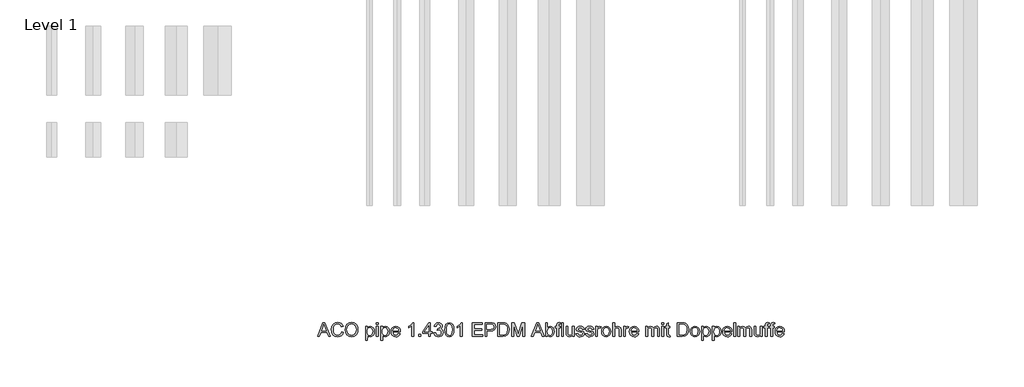
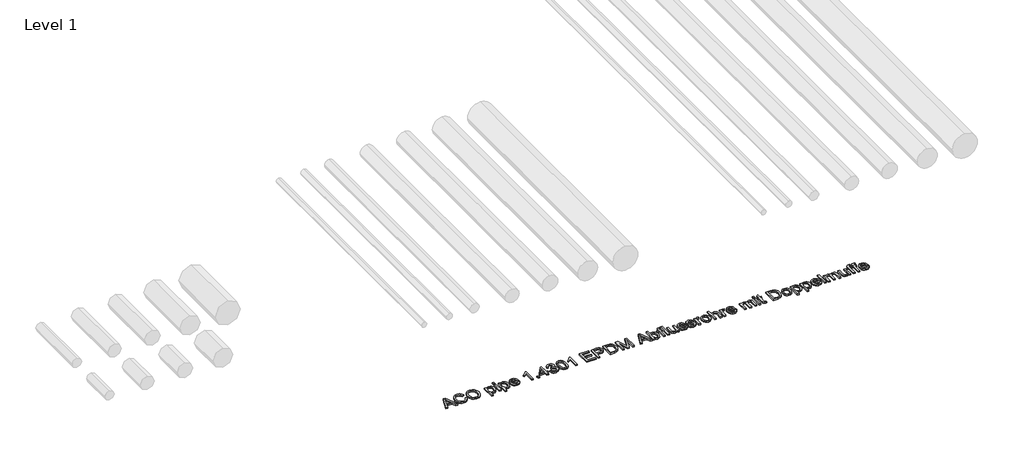
# One storey, part 12 of 13: 1 proxy.
"""IFC4 building model written with IfcOpenShell, lengths in millimetres."""

from ifc_helpers import new_model, si_unit, origin, origin_with_axes, place, context, project, spatial, polyline, outline, extrude, element, save

model = new_model("IFC4")

# Units and contexts
model_context = context("Model", 3, world=origin())
ifc_project = project(units=[si_unit("LENGTHUNIT", "METRE", prefix="MILLI")], contexts=[model_context])

# Site, building, storey
site = spatial("IfcSite", under=ifc_project)
building = spatial("IfcBuilding", under=site)
storey = spatial("IfcBuildingStorey", under=building, Name="Level 1", Elevation=0.0)

# Proxy
placement = place(None, origin())
element("IfcBuildingElementProxy", 1, Name="100mm ACO", ObjectType="100mm ACO", at=placement, inside=storey, context=model_context, shape_type="SweptSolid", body=[
    extrude(outline(polyline([(14738.8757357, -969.2114353), (14725.0736524, -969.2114353), (14713.0944857, -939.5818057), (14670.6465691, -939.5818057), (14659.1303654, -969.2114353), (14645.3572172, -969.2114353), (14684.2171709, -869.2114353), (14698.3954116, -869.2114353), (14738.8757357, -969.2114353)]), holes=[polyline([(14708.5805968, -928.4706946), (14694.156407, -891.8098149), (14691.1905505, -880.1489353), (14686.5319857, -898.7253242), (14674.9868468, -928.4706946), (14708.5805968, -928.4706946)])]), origin_with_axes(), (0.0, 0.0, 1.0), 10.0),
    extrude(outline(polyline([(14832.8572172, -937.3827316), (14826.9435887, -952.2083971), (14817.8253885, -962.7154862), (14806.0379174, -968.9763369), (14792.1164765, -971.0632872), (14771.2108052, -967.2076737), (14756.8734209, -955.6408335), (14748.5834904, -938.648646), (14745.8201802, -918.5169909), (14749.0645378, -897.1302721), (14758.7976107, -880.9446529), (14773.63051, -870.7558508), (14792.1743468, -867.3595835), (14805.4881489, -869.1716494), (14816.7258515, -874.6078473), (14825.3955563, -883.5379689), (14831.0053654, -895.8318057), (14818.0424024, -898.8410649), (14808.1899718, -883.5777548), (14791.6824487, -878.4706946), (14777.4608052, -881.1797513), (14767.1454116, -889.3069214), (14760.8737103, -901.9913832), (14758.7831431, -918.3723149), (14760.9966848, -936.7353068), (14767.6373098, -949.6946529), (14777.8369626, -957.3877953), (14790.7275876, -959.9521761), (14801.296164, -958.3354226), (14809.6801339, -953.4851622), (14815.8794973, -945.3869272), (14819.8942542, -934.0262501), (14832.8572172, -937.3827316)])), origin_with_axes(), (0.0, 0.0, 1.0), 10.0),
    extrude(outline(polyline([(14892.203282, -867.3595835), (14910.6928654, -870.9330788), (14925.478745, -881.6535649), (14935.1792658, -898.2261923), (14938.4127728, -919.3561112), (14935.1611813, -940.3956078), (14925.406407, -956.8705788), (14910.6024429, -967.5151101), (14892.203282, -971.0632872), (14873.3303075, -967.3849017), (14858.5516616, -956.3497455), (14849.0030505, -940.0194504), (14845.8201802, -920.4556483), (14849.0464533, -898.3744851), (14858.7252728, -881.5522918), (14873.5473214, -870.9077605), (14892.203282, -867.3595835)]), holes=[polyline([(14892.0875413, -959.9521761), (14905.5279348, -957.2684376), (14916.1616154, -949.2172223), (14923.098826, -936.3844677), (14925.4498098, -919.3561112), (14923.0952091, -901.9479804), (14916.031407, -889.0754399), (14905.4013434, -881.1218809), (14892.3479579, -878.4706946), (14879.0016038, -881.0676274), (14868.2449487, -888.8584261), (14861.1485945, -902.0167015), (14858.7831431, -920.7160649), (14861.0979579, -936.5978647), (14868.0424024, -949.1159492), (14878.6833167, -957.2431193), (14892.0875413, -959.9521761)])]), origin_with_axes(), (0.0, 0.0, 1.0), 10.0),
    extrude(outline(polyline([(15007.0614996, -905.6987038), (15015.5178075, -897.7776969), (15027.1859209, -895.1373612), (15039.5123098, -897.7270603), (15048.9451802, -905.4961575), (15054.9347635, -917.4246876), (15056.9312913, -932.4926853), (15054.6743468, -948.3817189), (15047.9035135, -960.6321529), (15037.8485366, -968.4555036), (15025.7391616, -971.0632872), (15015.3658978, -968.9365511), (15007.2785135, -962.5563427), (15006.9312913, -996.9892131), (14993.9683283, -996.9892131), (14993.9683283, -896.9892131), (15006.9312913, -896.9892131), (15007.0614996, -905.6987038)]), holes=[polyline([(15024.3213376, -961.8040279), (15032.0940517, -959.9774943), (15038.3983052, -954.4978936), (15042.5758225, -945.4013948), (15043.9683283, -932.7241668), (15042.6264591, -920.6473439), (15038.6008515, -911.7316899), (15032.4846767, -906.2303879), (15024.8711061, -904.3966205), (15016.989885, -906.4401679), (15010.6494626, -912.5708103), (15006.4719452, -921.956661), (15005.0794394, -933.7658335), (15006.4140748, -945.8788254), (15010.4179811, -954.6715048), (15016.563091, -960.0208971), (15024.3213376, -961.8040279)])]), origin_with_axes(), (0.0, 0.0, 1.0), 10.0),
    extrude(outline(polyline([(15084.7090691, -969.2114353), (15071.7461061, -969.2114353), (15071.7461061, -896.9892131), (15084.7090691, -896.9892131), (15084.7090691, -969.2114353)])), origin_with_axes(), (0.0, 0.0, 1.0), 10.0),
    extrude(outline(polyline([(15084.7090691, -882.1743983), (15071.7461061, -882.1743983), (15071.7461061, -869.2114353), (15084.7090691, -869.2114353), (15084.7090691, -882.1743983)])), origin_with_axes(), (0.0, 0.0, 1.0), 10.0),
    extrude(outline(polyline([(15116.3207589, -905.6987038), (15124.7770667, -897.7776969), (15136.4451802, -895.1373612), (15148.7715691, -897.7270603), (15158.2044394, -905.4961575), (15164.1940228, -917.4246876), (15166.1905505, -932.4926853), (15163.9336061, -948.3817189), (15157.1627728, -960.6321529), (15147.1077959, -968.4555036), (15134.9984209, -971.0632872), (15124.625157, -968.9365511), (15116.5377728, -962.5563427), (15116.1905505, -996.9892131), (15103.2275876, -996.9892131), (15103.2275876, -896.9892131), (15116.1905505, -896.9892131), (15116.3207589, -905.6987038)]), holes=[polyline([(15133.5805968, -961.8040279), (15141.353311, -959.9774943), (15147.6575644, -954.4978936), (15151.8350818, -945.4013948), (15153.2275876, -932.7241668), (15151.8857184, -920.6473439), (15147.8601107, -911.7316899), (15141.743936, -906.2303879), (15134.1303654, -904.3966205), (15126.2491443, -906.4401679), (15119.9087218, -912.5708103), (15115.7312045, -921.956661), (15114.3386987, -933.7658335), (15115.6733341, -945.8788254), (15119.6772404, -954.6715048), (15125.8223503, -960.0208971), (15133.5805968, -961.8040279)])]), origin_with_axes(), (0.0, 0.0, 1.0), 10.0),
    extrude(outline(polyline([(15243.9683283, -935.878102), (15190.2646246, -935.878102), (15192.3371073, -947.0036807), (15197.0499255, -955.1489353), (15203.8316096, -960.1402548), (15212.1106894, -961.8040279), (15223.7860366, -958.1147918), (15231.0053654, -946.9892131), (15243.9683283, -948.4938427), (15239.5918816, -958.1147918), (15232.6546709, -965.2183798), (15223.4098792, -969.6020603), (15212.1106894, -971.0632872), (15197.5237392, -968.5567767), (15186.5175181, -961.0372455), (15179.6056258, -949.1774365), (15177.3016616, -933.6500927), (15179.5224371, -918.1118983), (15186.1847635, -905.8144446), (15196.8835482, -897.8066321), (15211.2136987, -895.1373612), (15226.4336061, -898.5951159), (15238.8612681, -910.3717362), (15242.6915633, -920.9077605), (15243.9683283, -935.878102)]), holes=[polyline([(15231.0053654, -926.6188427), (15228.922032, -916.4625927), (15224.1766616, -909.6049538), (15210.8954116, -904.3966205), (15203.0395089, -905.9446529), (15196.7171709, -910.5887501), (15190.2646246, -926.6188427), (15231.0053654, -926.6188427)])]), origin_with_axes(), (0.0, 0.0, 1.0), 10.0),
    extrude(outline(polyline([(15342.1164765, -969.2114353), (15329.1535135, -969.2114353), (15329.1535135, -891.4336575), (15305.0794394, -906.2484723), (15305.0794394, -896.9892131), (15323.3520089, -885.2704631), (15334.7090691, -871.0632872), (15342.1164765, -871.0632872), (15342.1164765, -969.2114353)])), origin_with_axes(), (0.0, 0.0, 1.0), 10.0),
    extrude(outline(polyline([(15393.9683283, -969.2114353), (15379.1535135, -969.2114353), (15379.1535135, -954.3966205), (15393.9683283, -954.3966205), (15393.9683283, -969.2114353)])), origin_with_axes(), (0.0, 0.0, 1.0), 10.0),
    extrude(outline(polyline([(15475.4498098, -945.1373612), (15462.4868468, -945.1373612), (15462.4868468, -969.2114353), (15449.5238839, -969.2114353), (15449.5238839, -945.1373612), (15406.9312913, -945.1373612), (15406.9312913, -935.878102), (15451.8386987, -871.0632872), (15462.4868468, -871.0632872), (15462.4868468, -935.878102), (15475.4498098, -935.878102), (15475.4498098, -945.1373612)]), holes=[polyline([(15449.5238839, -935.878102), (15449.5238839, -889.9868983), (15417.7530505, -935.878102), (15449.5238839, -935.878102)])]), origin_with_axes(), (0.0, 0.0, 1.0), 10.0),
    extrude(outline(polyline([(15535.8954116, -915.6090048), (15544.2251281, -918.8461286), (15550.2327959, -924.6367825), (15555.0794394, -940.1605094), (15552.5548445, -952.4688138), (15544.9810598, -962.368264), (15533.8916501, -968.8895314), (15520.8201802, -971.0632872), (15508.540811, -969.1463311), (15498.6124255, -963.3954631), (15491.6860656, -954.4978936), (15488.4127728, -943.1408335), (15501.3757357, -941.4336575), (15508.2044394, -956.7259029), (15521.2542079, -961.8040279), (15529.3235077, -960.2776969), (15536.0545552, -955.6987038), (15540.6009961, -948.9061691), (15542.1164765, -940.7392131), (15540.6950355, -932.9809666), (15536.4307126, -926.6622455), (15529.8732762, -922.4630267), (15521.572495, -921.0632872), (15512.4868468, -922.915139), (15513.9336061, -911.8040279), (15521.8039765, -911.3121298), (15528.2854579, -908.9105094), (15534.2171709, -903.4417594), (15536.5609209, -894.6165279), (15531.7721478, -882.6952316), (15520.6755042, -878.4706946), (15508.9422866, -883.2739353), (15503.2275876, -896.9892131), (15490.2646246, -894.7612038), (15494.1021535, -883.5741379), (15500.8114996, -875.5916436), (15509.7560887, -870.8064874), (15520.2993468, -869.2114353), (15531.764914, -871.103073), (15541.1616154, -876.7779862), (15547.4333167, -885.1872744), (15549.5238839, -895.2820372), (15546.1167658, -907.3480094), (15535.8954116, -915.6090048)])), origin_with_axes(), (0.0, 0.0, 1.0), 10.0),
    extrude(outline(polyline([(15599.4949487, -869.2114353), (15614.0909412, -872.3979226), (15624.5166501, -881.9573844), (15630.7720754, -897.8898207), (15632.8572172, -920.1952316), (15630.7015459, -942.6670198), (15624.234532, -958.5198844), (15613.7382936, -967.9274365), (15599.4949487, -971.0632872), (15584.9242745, -967.8840337), (15574.5166501, -958.3462733), (15568.2720754, -942.4500059), (15566.1905505, -920.1952316), (15568.3462218, -897.7270603), (15574.8132357, -881.8271761), (15585.2950066, -872.3653705), (15599.4949487, -869.2114353)]), holes=[polyline([(15599.5238839, -961.8040279), (15608.3635829, -959.3698554), (15614.7437913, -952.0673381), (15618.6066385, -939.2309666), (15619.8942542, -920.1952316), (15617.6373098, -895.9764816), (15610.8230737, -882.8109723), (15599.3792079, -878.4706946), (15590.5575934, -880.9482698), (15584.2316385, -888.3809955), (15580.4230448, -901.289705), (15579.1535135, -920.1952316), (15581.4538607, -944.2548381), (15588.2680968, -957.4637501), (15599.5238839, -961.8040279)])]), origin_with_axes(), (0.0, 0.0, 1.0), 10.0),
    extrude(outline(polyline([(15692.1164765, -969.2114353), (15679.1535135, -969.2114353), (15679.1535135, -891.4336575), (15655.0794394, -906.2484723), (15655.0794394, -896.9892131), (15673.3520089, -885.2704631), (15684.7090691, -871.0632872), (15692.1164765, -871.0632872), (15692.1164765, -969.2114353)])), origin_with_axes(), (0.0, 0.0, 1.0), 10.0),
    extrude(outline(polyline([(15840.2646246, -969.2114353), (15766.1905505, -969.2114353), (15766.1905505, -869.2114353), (15838.4127728, -869.2114353), (15838.4127728, -880.3225464), (15779.1535135, -880.3225464), (15779.1535135, -911.8040279), (15834.7090691, -911.8040279), (15834.7090691, -922.915139), (15779.1535135, -922.915139), (15779.1535135, -958.1003242), (15840.2646246, -958.1003242), (15840.2646246, -969.2114353)])), origin_with_axes(), (0.0, 0.0, 1.0), 10.0),
    extrude(outline(polyline([(15858.7831431, -869.2114353), (15896.3410135, -869.2114353), (15911.6477265, -870.0939585), (15923.5690228, -874.6801853), (15931.8878885, -884.7351622), (15934.7090691, -898.0308798), (15932.4846767, -910.4621587), (15925.8114996, -920.1518288), (15914.2338086, -926.3909781), (15897.2958746, -928.4706946), (15871.7461061, -928.4706946), (15871.7461061, -969.2114353), (15858.7831431, -969.2114353), (15858.7831431, -869.2114353)]), holes=[polyline([(15871.7461061, -917.3595835), (15897.8167079, -917.3595835), (15915.7637566, -912.6214469), (15920.2505187, -906.6987762), (15921.7461061, -898.4070372), (15918.6355737, -887.4261344), (15910.9966848, -881.4944214), (15897.5273561, -880.3225464), (15871.7461061, -880.3225464), (15871.7461061, -917.3595835)])]), origin_with_axes(), (0.0, 0.0, 1.0), 10.0),
    extrude(outline(polyline([(15951.3757357, -869.2114353), (15985.4035135, -869.2114353), (16000.797032, -870.1373612), (16013.1234209, -874.6367825), (16023.4098792, -884.4892131), (16030.3398561, -898.9134029), (16032.8572172, -918.6616668), (16030.2675181, -938.7969388), (16022.4984209, -954.9897918), (16008.4142195, -965.6560244), (15986.8792079, -969.2114353), (15951.3757357, -969.2114353), (15951.3757357, -869.2114353)]), holes=[polyline([(15964.3386987, -958.1003242), (15985.6639302, -958.1003242), (15997.3103422, -957.2612038), (16007.7125413, -952.7328473), (16016.4364996, -940.6379399), (16019.8942542, -918.3723149), (16018.5632357, -904.0783335), (16013.6731894, -891.9689585), (16005.4989996, -883.9683798), (15996.500157, -880.8723149), (15985.2588376, -880.3225464), (15964.3386987, -880.3225464), (15964.3386987, -958.1003242)])]), origin_with_axes(), (0.0, 0.0, 1.0), 10.0),
    extrude(outline(polyline([(16143.9683283, -969.2114353), (16131.0053654, -969.2114353), (16131.0053654, -885.415139), (16105.484532, -969.2114353), (16091.7113839, -969.2114353), (16064.7148561, -884.0551853), (16064.3386987, -969.2114353), (16051.3757357, -969.2114353), (16051.3757357, -869.2114353), (16071.0805968, -869.2114353), (16093.9104579, -940.0737038), (16098.3375413, -954.8885186), (16103.3433283, -938.8584261), (16124.697495, -869.2114353), (16143.9683283, -869.2114353), (16143.9683283, -969.2114353)])), origin_with_axes(), (0.0, 0.0, 1.0), 10.0),
    extrude(outline(polyline([(16287.0238839, -969.2114353), (16273.2218005, -969.2114353), (16261.2426339, -939.5818057), (16218.7947172, -939.5818057), (16207.2785135, -969.2114353), (16193.5053654, -969.2114353), (16232.3653191, -869.2114353), (16246.5435598, -869.2114353), (16287.0238839, -969.2114353)]), holes=[polyline([(16256.728745, -928.4706946), (16242.3045552, -891.8098149), (16239.3386987, -880.1489353), (16234.6801339, -898.7253242), (16223.134995, -928.4706946), (16256.728745, -928.4706946)])]), origin_with_axes(), (0.0, 0.0, 1.0), 10.0),
    extrude(outline(polyline([(16308.9567542, -904.1362038), (16317.3190228, -897.3870719), (16328.4011987, -895.1373612), (16340.8252438, -897.6836575), (16350.4932126, -905.3225464), (16356.7106605, -917.0702316), (16358.7831431, -931.9429168), (16356.5044973, -948.6783045), (16349.6685598, -960.9793751), (16339.7799603, -968.5423092), (16328.3433283, -971.0632872), (16317.3262566, -968.5893288), (16309.0435598, -961.1674538), (16308.7831431, -969.2114353), (16295.8201802, -969.2114353), (16295.8201802, -869.2114353), (16308.7831431, -869.2114353), (16308.9567542, -904.1362038)]), holes=[polyline([(16327.1280505, -961.8040279), (16334.5463086, -959.9123902), (16340.5395089, -954.237477), (16344.5000123, -945.1409781), (16345.8201802, -932.9845835), (16340.9590691, -912.1078473), (16335.172032, -906.3244272), (16327.5331431, -904.3966205), (16319.9087218, -906.3859145), (16313.9336061, -912.3537964), (16308.7831431, -932.4926853), (16310.9243468, -949.4487038), (16317.3768931, -958.143727), (16327.1280505, -961.8040279)])]), origin_with_axes(), (0.0, 0.0, 1.0), 10.0),
    extrude(outline(polyline([(16406.9312913, -868.3144446), (16405.3398561, -876.6188427), (16399.0319857, -876.6188427), (16392.7241154, -878.7455788), (16390.2646246, -889.2635186), (16390.2646246, -896.9892131), (16401.3757357, -896.9892131), (16401.3757357, -906.2484723), (16390.2646246, -906.2484723), (16390.2646246, -969.2114353), (16377.3016616, -969.2114353), (16377.3016616, -906.2484723), (16366.1905505, -906.2484723), (16366.1905505, -896.9892131), (16377.3016616, -896.9892131), (16377.3016616, -889.0609723), (16378.2709904, -879.0783335), (16383.3780505, -870.9764816), (16396.1384672, -867.3595835), (16406.9312913, -868.3144446)])), origin_with_axes(), (0.0, 0.0, 1.0), 10.0),
    extrude(outline(polyline([(16425.4498098, -969.2114353), (16412.4868468, -969.2114353), (16412.4868468, -869.2114353), (16425.4498098, -869.2114353), (16425.4498098, -969.2114353)])), origin_with_axes(), (0.0, 0.0, 1.0), 10.0),
    extrude(outline(polyline([(16503.2275876, -969.2114353), (16492.1164765, -969.2114353), (16492.1164765, -958.7079631), (16481.8734209, -967.9744561), (16468.9104579, -971.0632872), (16454.7900876, -967.5476622), (16446.1384672, -957.8688427), (16443.9683283, -941.8676853), (16443.9683283, -896.9892131), (16456.9312913, -896.9892131), (16456.9312913, -937.9614353), (16457.828282, -952.0528705), (16462.515782, -959.0551853), (16471.5435598, -961.8040279), (16484.2895089, -956.8850464), (16488.7708457, -949.3329631), (16490.2646246, -936.5146761), (16490.2646246, -896.9892131), (16503.2275876, -896.9892131), (16503.2275876, -969.2114353)])), origin_with_axes(), (0.0, 0.0, 1.0), 10.0),
    extrude(outline(polyline([(16562.4868468, -917.3595835), (16557.6980737, -907.6373612), (16546.6303654, -904.3966205), (16535.3167079, -907.1743983), (16531.0053654, -915.2473149), (16533.8554811, -922.3943057), (16547.2958746, -926.2716205), (16565.0186755, -930.4382872), (16574.0609209, -936.7606251), (16577.3016616, -948.0887501), (16575.2906663, -957.0188717), (16569.2576802, -964.4226622), (16559.8609788, -969.4031309), (16547.7588376, -971.0632872), (16535.2841559, -969.6671645), (16525.86937, -965.4787964), (16519.5072461, -958.5054168), (16516.1905505, -948.7542594), (16529.1535135, -946.9892131), (16534.7524718, -958.1147918), (16547.7588376, -961.8040279), (16560.0562913, -957.9701159), (16564.3386987, -948.6385186), (16562.4145089, -942.6634029), (16557.6112681, -939.2924538), (16544.0261987, -936.3989353), (16523.0915922, -928.5864353), (16518.0424024, -915.9996298), (16519.9123387, -907.7133161), (16525.5221478, -901.0256714), (16534.2931258, -896.6094388), (16545.6465691, -895.1373612), (16557.578716, -896.424977), (16566.5233052, -900.2878242), (16572.4803364, -906.7186691), (16575.4498098, -915.7102779), (16562.4868468, -917.3595835)])), origin_with_axes(), (0.0, 0.0, 1.0), 10.0),
    extrude(outline(polyline([(16631.0053654, -917.3595835), (16626.2165922, -907.6373612), (16615.1488839, -904.3966205), (16603.8352265, -907.1743983), (16599.5238839, -915.2473149), (16602.3739996, -922.3943057), (16615.8143931, -926.2716205), (16633.5371941, -930.4382872), (16642.5794394, -936.7606251), (16645.8201802, -948.0887501), (16643.8091848, -957.0188717), (16637.7761987, -964.4226622), (16628.3794973, -969.4031309), (16616.2773561, -971.0632872), (16603.8026744, -969.6671645), (16594.3878885, -965.4787964), (16588.0257647, -958.5054168), (16584.7090691, -948.7542594), (16597.672032, -946.9892131), (16603.2709904, -958.1147918), (16616.2773561, -961.8040279), (16628.5748098, -957.9701159), (16632.8572172, -948.6385186), (16630.9330274, -942.6634029), (16626.1297866, -939.2924538), (16612.5447172, -936.3989353), (16591.6101107, -928.5864353), (16586.5609209, -915.9996298), (16588.4308573, -907.7133161), (16594.0406663, -901.0256714), (16602.8116443, -896.6094388), (16614.1650876, -895.1373612), (16626.0972346, -896.424977), (16635.0418237, -900.2878242), (16640.9988549, -906.7186691), (16643.9683283, -915.7102779), (16631.0053654, -917.3595835)])), origin_with_axes(), (0.0, 0.0, 1.0), 10.0),
    extrude(outline(polyline([(16697.672032, -897.9730094), (16693.6211061, -906.2484723), (16685.1141616, -904.3966205), (16679.3198908, -906.0242247), (16675.1315228, -910.9070372), (16671.7461061, -929.1362038), (16671.7461061, -969.2114353), (16658.7831431, -969.2114353), (16658.7831431, -896.9892131), (16669.8942542, -896.9892131), (16669.8942542, -907.6952316), (16676.8242311, -898.2768288), (16685.2588376, -895.1373612), (16697.672032, -897.9730094)])), origin_with_axes(), (0.0, 0.0, 1.0), 10.0),
    extrude(outline(polyline([(16734.6801339, -895.1373612), (16747.8564938, -897.5317478), (16758.5661292, -904.7149075), (16765.6733341, -916.310683), (16768.0424024, -931.9429168), (16765.4780216, -950.2154862), (16757.7848792, -962.2091205), (16746.8799313, -968.8497455), (16734.6801339, -971.0632872), (16722.0897114, -968.7882582), (16711.2860366, -961.9631714), (16703.853311, -950.1974017), (16701.3757357, -933.1003242), (16703.7701223, -916.383021), (16710.953282, -904.5412964), (16721.6737681, -897.488345), (16734.6801339, -895.1373612)]), holes=[polyline([(16734.6801339, -961.8040279), (16743.4872809, -959.7966494), (16749.8855737, -953.774514), (16755.0794394, -932.6373612), (16753.6109788, -920.3543751), (16749.2055968, -911.5146761), (16742.6373098, -906.1761344), (16734.6801339, -904.3966205), (16726.5674313, -906.2014527), (16720.0533978, -911.6159492), (16715.7673735, -920.6039411), (16714.3386987, -933.1292594), (16715.7926917, -945.6111749), (16720.1546709, -954.5846992), (16726.6940228, -959.9991957), (16734.6801339, -961.8040279)])]), origin_with_axes(), (0.0, 0.0, 1.0), 10.0),
    extrude(outline(polyline([(16842.1164765, -969.2114353), (16829.1535135, -969.2114353), (16829.1535135, -922.5100464), (16825.4642774, -908.924977), (16814.4544394, -904.3966205), (16801.5204116, -909.7351622), (16797.245238, -917.1678879), (16795.8201802, -928.7889816), (16795.8201802, -969.2114353), (16782.8572172, -969.2114353), (16782.8572172, -869.2114353), (16795.8201802, -869.2114353), (16795.8201802, -905.0331946), (16805.520701, -897.6113196), (16817.3768931, -895.1373612), (16830.6581431, -898.0019446), (16839.5557126, -906.8127085), (16842.1164765, -923.3202316), (16842.1164765, -969.2114353)])), origin_with_axes(), (0.0, 0.0, 1.0), 10.0),
    extrude(outline(polyline([(16899.5238839, -897.9730094), (16895.4729579, -906.2484723), (16886.9660135, -904.3966205), (16881.1717427, -906.0242247), (16876.9833746, -910.9070372), (16873.5979579, -929.1362038), (16873.5979579, -969.2114353), (16860.634995, -969.2114353), (16860.634995, -896.9892131), (16871.7461061, -896.9892131), (16871.7461061, -907.6952316), (16878.6760829, -898.2768288), (16887.1106894, -895.1373612), (16899.5238839, -897.9730094)])), origin_with_axes(), (0.0, 0.0, 1.0), 10.0),
    extrude(outline(polyline([(16969.8942542, -935.878102), (16916.1905505, -935.878102), (16918.2630332, -947.0036807), (16922.9758515, -955.1489353), (16929.7575355, -960.1402548), (16938.0366154, -961.8040279), (16949.7119626, -958.1147918), (16956.9312913, -946.9892131), (16969.8942542, -948.4938427), (16965.5178075, -958.1147918), (16958.5805968, -965.2183798), (16949.3358052, -969.6020603), (16938.0366154, -971.0632872), (16923.4496651, -968.5567767), (16912.4434441, -961.0372455), (16905.5315517, -949.1774365), (16903.2275876, -933.6500927), (16905.448363, -918.1118983), (16912.1106894, -905.8144446), (16922.8094741, -897.8066321), (16937.1396246, -895.1373612), (16952.359532, -898.5951159), (16964.7871941, -910.3717362), (16968.6174892, -920.9077605), (16969.8942542, -935.878102)]), holes=[polyline([(16956.9312913, -926.6188427), (16954.8479579, -916.4625927), (16950.1025876, -909.6049538), (16936.8213376, -904.3966205), (16928.9654348, -905.9446529), (16922.6430968, -910.5887501), (16916.1905505, -926.6188427), (16956.9312913, -926.6188427)])]), origin_with_axes(), (0.0, 0.0, 1.0), 10.0),
    extrude(outline(polyline([(17119.8942542, -969.2114353), (17106.9312913, -969.2114353), (17106.9312913, -922.5100464), (17106.2802496, -913.6992825), (17102.8948329, -907.2178011), (17094.3734209, -904.3966205), (17082.3653191, -909.5470835), (17078.567576, -916.3034492), (17077.3016616, -926.2716205), (17077.3016616, -969.2114353), (17064.3386987, -969.2114353), (17064.3386987, -921.1211575), (17061.1558283, -907.9556483), (17052.1280505, -904.3966205), (17039.5991154, -909.9666436), (17035.9315806, -917.9636054), (17034.7090691, -930.8144446), (17034.7090691, -969.2114353), (17021.7461061, -969.2114353), (17021.7461061, -896.9892131), (17032.8572172, -896.9892131), (17032.8572172, -906.8850464), (17042.239451, -898.0742825), (17054.7900876, -895.1373612), (17067.9700644, -898.305764), (17075.4498098, -907.8399075), (17084.9694857, -898.3129978), (17097.5562913, -895.1373612), (17107.3291501, -896.6564585), (17114.3097635, -901.2137501), (17118.4981316, -908.8092362), (17119.8942542, -919.4429168), (17119.8942542, -969.2114353)])), origin_with_axes(), (0.0, 0.0, 1.0), 10.0),
    extrude(outline(polyline([(17151.3757357, -882.1743983), (17138.4127728, -882.1743983), (17138.4127728, -869.2114353), (17151.3757357, -869.2114353), (17151.3757357, -882.1743983)])), origin_with_axes(), (0.0, 0.0, 1.0), 10.0),
    extrude(outline(polyline([(17151.3757357, -969.2114353), (17138.4127728, -969.2114353), (17138.4127728, -896.9892131), (17151.3757357, -896.9892131), (17151.3757357, -969.2114353)])), origin_with_axes(), (0.0, 0.0, 1.0), 10.0),
    extrude(outline(polyline([(17197.672032, -970.2241668), (17188.5863839, -971.0632872), (17176.9978422, -968.1842362), (17172.5562913, -960.878102), (17171.7461061, -948.5517131), (17171.7461061, -906.2484723), (17162.4868468, -906.2484723), (17162.4868468, -896.9892131), (17171.7461061, -896.9892131), (17171.7461061, -878.6443057), (17184.7090691, -871.0632872), (17184.7090691, -896.9892131), (17195.8201802, -896.9892131), (17195.8201802, -906.2484723), (17184.7090691, -906.2484723), (17184.7090691, -951.1558798), (17185.7507357, -959.3734723), (17191.0458746, -961.8040279), (17196.0805968, -961.8040279), (17197.672032, -970.2241668)])), origin_with_axes(), (0.0, 0.0, 1.0), 10.0),
    extrude(outline(polyline([(17249.5238839, -869.2114353), (17283.5516616, -869.2114353), (17298.9451802, -870.1373612), (17311.2715691, -874.6367825), (17321.5580274, -884.4892131), (17328.4880042, -898.9134029), (17331.0053654, -918.6616668), (17328.4156663, -938.7969388), (17320.6465691, -954.9897918), (17306.5623677, -965.6560244), (17285.0273561, -969.2114353), (17249.5238839, -969.2114353), (17249.5238839, -869.2114353)]), holes=[polyline([(17262.4868468, -958.1003242), (17283.8120783, -958.1003242), (17295.4584904, -957.2612038), (17305.8606894, -952.7328473), (17314.5846478, -940.6379399), (17318.0424024, -918.3723149), (17316.7113839, -904.0783335), (17311.8213376, -891.9689585), (17303.6471478, -883.9683798), (17294.6483052, -880.8723149), (17283.4069857, -880.3225464), (17262.4868468, -880.3225464), (17262.4868468, -958.1003242)])]), origin_with_axes(), (0.0, 0.0, 1.0), 10.0),
    extrude(outline(polyline([(17377.2727265, -895.1373612), (17390.4490864, -897.5317478), (17401.1587218, -904.7149075), (17408.2659267, -916.310683), (17410.634995, -931.9429168), (17408.0706142, -950.2154862), (17400.3774718, -962.2091205), (17389.4725239, -968.8497455), (17377.2727265, -971.0632872), (17364.682304, -968.7882582), (17353.8786292, -961.9631714), (17346.4459035, -950.1974017), (17343.9683283, -933.1003242), (17346.3627149, -916.383021), (17353.5458746, -904.5412964), (17364.2663607, -897.488345), (17377.2727265, -895.1373612)]), holes=[polyline([(17377.2727265, -961.8040279), (17386.0798735, -959.7966494), (17392.4781663, -953.774514), (17397.672032, -932.6373612), (17396.2035714, -920.3543751), (17391.7981894, -911.5146761), (17385.2299024, -906.1761344), (17377.2727265, -904.3966205), (17369.1600239, -906.2014527), (17362.6459904, -911.6159492), (17358.359966, -920.6039411), (17356.9312913, -933.1292594), (17358.3852843, -945.6111749), (17362.7472635, -954.5846992), (17369.2866154, -959.9991957), (17377.2727265, -961.8040279)])]), origin_with_axes(), (0.0, 0.0, 1.0), 10.0),
    extrude(outline(polyline([(17438.5429811, -905.6987038), (17446.999289, -897.7776969), (17458.6674024, -895.1373612), (17470.9937913, -897.7270603), (17480.4266616, -905.4961575), (17486.416245, -917.4246876), (17488.4127728, -932.4926853), (17486.1558283, -948.3817189), (17479.384995, -960.6321529), (17469.3300181, -968.4555036), (17457.2206431, -971.0632872), (17446.8473792, -968.9365511), (17438.759995, -962.5563427), (17438.4127728, -996.9892131), (17425.4498098, -996.9892131), (17425.4498098, -896.9892131), (17438.4127728, -896.9892131), (17438.5429811, -905.6987038)]), holes=[polyline([(17455.8028191, -961.8040279), (17463.5755332, -959.9774943), (17469.8797866, -954.4978936), (17474.057304, -945.4013948), (17475.4498098, -932.7241668), (17474.1079406, -920.6473439), (17470.0823329, -911.7316899), (17463.9661582, -906.2303879), (17456.3525876, -904.3966205), (17448.4713665, -906.4401679), (17442.1309441, -912.5708103), (17437.9534267, -921.956661), (17436.5609209, -933.7658335), (17437.8955563, -945.8788254), (17441.8994626, -954.6715048), (17448.0445725, -960.0208971), (17455.8028191, -961.8040279)])]), origin_with_axes(), (0.0, 0.0, 1.0), 10.0),
    extrude(outline(polyline([(17516.3207589, -905.6987038), (17524.7770667, -897.7776969), (17536.4451802, -895.1373612), (17548.7715691, -897.7270603), (17558.2044394, -905.4961575), (17564.1940228, -917.4246876), (17566.1905505, -932.4926853), (17563.9336061, -948.3817189), (17557.1627728, -960.6321529), (17547.1077959, -968.4555036), (17534.9984209, -971.0632872), (17524.625157, -968.9365511), (17516.5377728, -962.5563427), (17516.1905505, -996.9892131), (17503.2275876, -996.9892131), (17503.2275876, -896.9892131), (17516.1905505, -896.9892131), (17516.3207589, -905.6987038)]), holes=[polyline([(17533.5805968, -961.8040279), (17541.353311, -959.9774943), (17547.6575644, -954.4978936), (17551.8350818, -945.4013948), (17553.2275876, -932.7241668), (17551.8857184, -920.6473439), (17547.8601107, -911.7316899), (17541.743936, -906.2303879), (17534.1303654, -904.3966205), (17526.2491443, -906.4401679), (17519.9087218, -912.5708103), (17515.7312045, -921.956661), (17514.3386987, -933.7658335), (17515.6733341, -945.8788254), (17519.6772404, -954.6715048), (17525.8223503, -960.0208971), (17533.5805968, -961.8040279)])]), origin_with_axes(), (0.0, 0.0, 1.0), 10.0),
    extrude(outline(polyline([(17643.9683283, -935.878102), (17590.2646246, -935.878102), (17592.3371073, -947.0036807), (17597.0499255, -955.1489353), (17603.8316096, -960.1402548), (17612.1106894, -961.8040279), (17623.7860366, -958.1147918), (17631.0053654, -946.9892131), (17643.9683283, -948.4938427), (17639.5918816, -958.1147918), (17632.6546709, -965.2183798), (17623.4098792, -969.6020603), (17612.1106894, -971.0632872), (17597.5237392, -968.5567767), (17586.5175181, -961.0372455), (17579.6056258, -949.1774365), (17577.3016616, -933.6500927), (17579.5224371, -918.1118983), (17586.1847635, -905.8144446), (17596.8835482, -897.8066321), (17611.2136987, -895.1373612), (17626.4336061, -898.5951159), (17638.8612681, -910.3717362), (17642.6915633, -920.9077605), (17643.9683283, -935.878102)]), holes=[polyline([(17631.0053654, -926.6188427), (17628.922032, -916.4625927), (17624.1766616, -909.6049538), (17610.8954116, -904.3966205), (17603.0395089, -905.9446529), (17596.7171709, -910.5887501), (17590.2646246, -926.6188427), (17631.0053654, -926.6188427)])]), origin_with_axes(), (0.0, 0.0, 1.0), 10.0),
    extrude(outline(polyline([(17671.7461061, -969.2114353), (17658.7831431, -969.2114353), (17658.7831431, -869.2114353), (17671.7461061, -869.2114353), (17671.7461061, -969.2114353)])), origin_with_axes(), (0.0, 0.0, 1.0), 10.0),
    extrude(outline(polyline([(17786.5609209, -969.2114353), (17773.5979579, -969.2114353), (17773.5979579, -922.5100464), (17772.9469163, -913.6992825), (17769.5614996, -907.2178011), (17761.0400876, -904.3966205), (17749.0319857, -909.5470835), (17745.2342427, -916.3034492), (17743.9683283, -926.2716205), (17743.9683283, -969.2114353), (17731.0053654, -969.2114353), (17731.0053654, -921.1211575), (17727.822495, -907.9556483), (17718.7947172, -904.3966205), (17706.265782, -909.9666436), (17702.5982473, -917.9636054), (17701.3757357, -930.8144446), (17701.3757357, -969.2114353), (17688.4127728, -969.2114353), (17688.4127728, -896.9892131), (17699.5238839, -896.9892131), (17699.5238839, -906.8850464), (17708.9061177, -898.0742825), (17721.4567542, -895.1373612), (17734.6367311, -898.305764), (17742.1164765, -907.8399075), (17751.6361524, -898.3129978), (17764.2229579, -895.1373612), (17773.9958167, -896.6564585), (17780.9764302, -901.2137501), (17785.1647982, -908.8092362), (17786.5609209, -919.4429168), (17786.5609209, -969.2114353)])), origin_with_axes(), (0.0, 0.0, 1.0), 10.0),
    extrude(outline(polyline([(17864.3386987, -969.2114353), (17853.2275876, -969.2114353), (17853.2275876, -958.7079631), (17842.984532, -967.9744561), (17830.0215691, -971.0632872), (17815.9011987, -967.5476622), (17807.2495783, -957.8688427), (17805.0794394, -941.8676853), (17805.0794394, -896.9892131), (17818.0424024, -896.9892131), (17818.0424024, -937.9614353), (17818.9393931, -952.0528705), (17823.6268931, -959.0551853), (17832.6546709, -961.8040279), (17845.40062, -956.8850464), (17849.8819568, -949.3329631), (17851.3757357, -936.5146761), (17851.3757357, -896.9892131), (17864.3386987, -896.9892131), (17864.3386987, -969.2114353)])), origin_with_axes(), (0.0, 0.0, 1.0), 10.0),
    extrude(outline(polyline([(17916.1905505, -868.3144446), (17914.5991154, -876.6188427), (17908.291245, -876.6188427), (17901.9833746, -878.7455788), (17899.5238839, -889.2635186), (17899.5238839, -896.9892131), (17910.634995, -896.9892131), (17910.634995, -906.2484723), (17899.5238839, -906.2484723), (17899.5238839, -969.2114353), (17886.5609209, -969.2114353), (17886.5609209, -906.2484723), (17875.4498098, -906.2484723), (17875.4498098, -896.9892131), (17886.5609209, -896.9892131), (17886.5609209, -889.0609723), (17887.5302496, -879.0783335), (17892.6373098, -870.9764816), (17905.3977265, -867.3595835), (17916.1905505, -868.3144446)])), origin_with_axes(), (0.0, 0.0, 1.0), 10.0),
    extrude(outline(polyline([(17955.0794394, -868.3144446), (17953.4880042, -876.6188427), (17947.1801339, -876.6188427), (17940.8722635, -878.7455788), (17938.4127728, -889.2635186), (17938.4127728, -896.9892131), (17949.5238839, -896.9892131), (17949.5238839, -906.2484723), (17938.4127728, -906.2484723), (17938.4127728, -969.2114353), (17925.4498098, -969.2114353), (17925.4498098, -906.2484723), (17914.3386987, -906.2484723), (17914.3386987, -896.9892131), (17925.4498098, -896.9892131), (17925.4498098, -889.0609723), (17926.4191385, -879.0783335), (17931.5261987, -870.9764816), (17944.2866154, -867.3595835), (17955.0794394, -868.3144446)])), origin_with_axes(), (0.0, 0.0, 1.0), 10.0),
    extrude(outline(polyline([(18023.5979579, -935.878102), (17969.8942542, -935.878102), (17971.9667369, -947.0036807), (17976.6795552, -955.1489353), (17983.4612392, -960.1402548), (17991.7403191, -961.8040279), (18003.4156663, -958.1147918), (18010.634995, -946.9892131), (18023.5979579, -948.4938427), (18019.2215112, -958.1147918), (18012.2843005, -965.2183798), (18003.0395089, -969.6020603), (17991.7403191, -971.0632872), (17977.1533688, -968.5567767), (17966.1471478, -961.0372455), (17959.2352554, -949.1774365), (17956.9312913, -933.6500927), (17959.1520667, -918.1118983), (17965.8143931, -905.8144446), (17976.5131779, -897.8066321), (17990.8433283, -895.1373612), (18006.0632357, -898.5951159), (18018.4908978, -910.3717362), (18022.3211929, -920.9077605), (18023.5979579, -935.878102)]), holes=[polyline([(18010.634995, -926.6188427), (18008.5516616, -916.4625927), (18003.8062913, -909.6049538), (17990.5250413, -904.3966205), (17982.6691385, -905.9446529), (17976.3468005, -910.5887501), (17969.8942542, -926.6188427), (18010.634995, -926.6188427)])]), origin_with_axes(), (0.0, 0.0, 1.0), 10.0),
])

save(model, "model.ifc")
